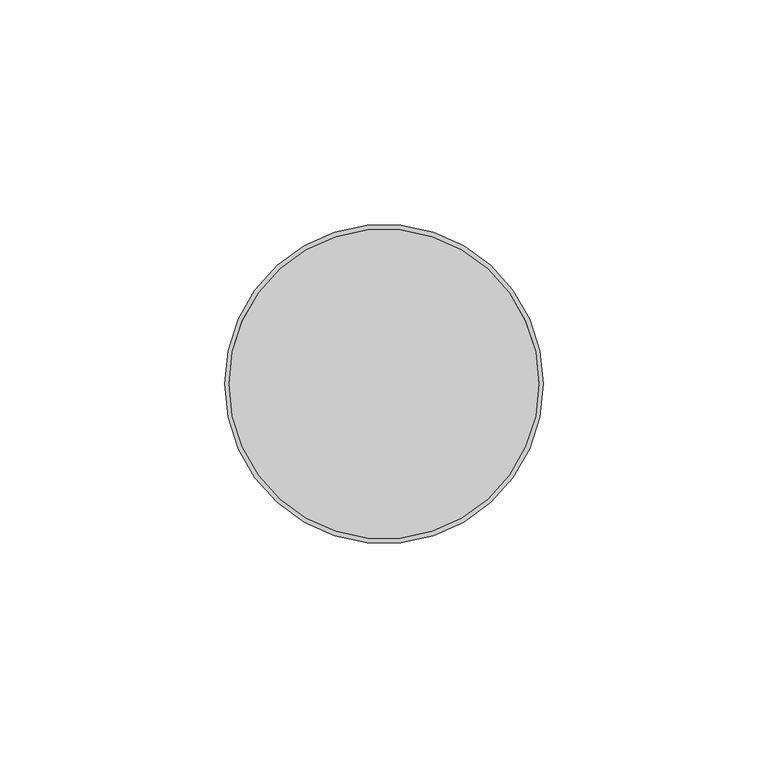
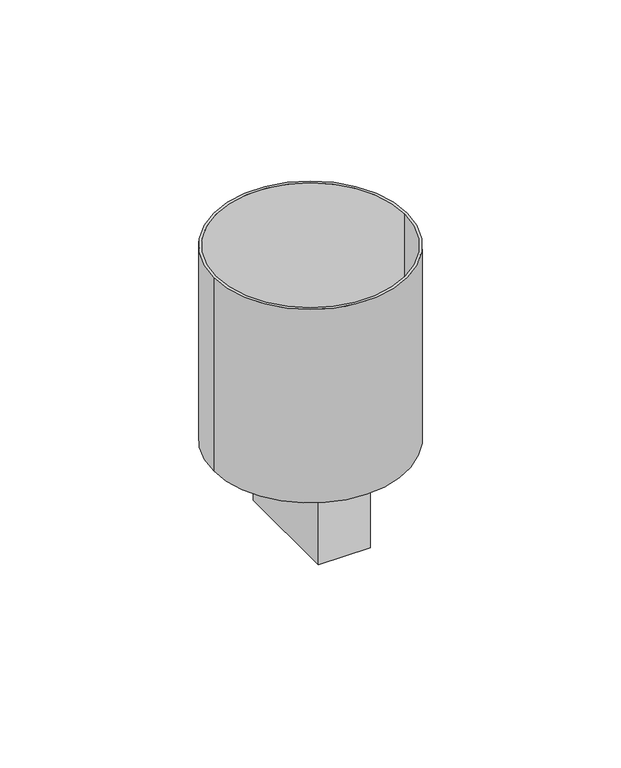
"""IFC4 building model written with IfcOpenShell, lengths in millimetres: proxy geometry."""

from ifc_helpers import new_model, si_unit, point, frame, origin, origin_2d, place, context, project, spatial, polyline, circle_curve, trimmed, segment, composite_curve, outline, extrude, source, transform, mapped, element, save


def electrical_fixtures_0ed6fdf6(model_context):
    return source(origin(), model_context, "Body", "SweptSolid", [
        extrude(outline(polyline([(9.5, -21.3679385), (-9.5, -21.3679385), (-9.5, 19.7701789), (9.5, 19.7701789), (9.5, -21.3679385)])), frame((0.0, 0.0, -107.5), z_axis=(0.0, 0.0, 1.0), x_axis=(1.0, 0.0, 0.0)), (0.0, 0.0, 1.0), 32.5),
        extrude(outline(composite_curve([segment(trimmed(circle_curve(origin_2d(), 34.5), [point((34.5, 0.0))], [point((-34.5, 0.0))], False, "CARTESIAN"), True, "CONTINUOUS"), segment(trimmed(circle_curve(origin_2d(), 34.5), [point((-34.5, 0.0))], [point((34.5, 0.0))], False, "CARTESIAN"), True, "CONTINUOUS")], self_intersect=False)), frame((0.0, 0.0, -75.0), z_axis=(0.0, 0.0, 1.0), x_axis=(1.0, 0.0, 0.0)), (0.0, 0.0, 1.0), 1.0),
        extrude(outline(composite_curve([segment(trimmed(circle_curve(origin_2d(), 35.5), [point((35.5, 0.0))], [point((-35.5, 0.0))], False, "CARTESIAN"), True, "CONTINUOUS"), segment(trimmed(circle_curve(origin_2d(), 35.5), [point((-35.5, 0.0))], [point((35.5, 0.0))], False, "CARTESIAN"), True, "CONTINUOUS")], self_intersect=False), holes=[composite_curve([segment(trimmed(circle_curve(origin_2d(), 34.5), [point((34.5, 0.0))], [point((-34.5, 0.0))], True, "CARTESIAN"), True, "CONTINUOUS"), segment(trimmed(circle_curve(origin_2d(), 34.5), [point((-34.5, 0.0))], [point((34.5, 0.0))], True, "CARTESIAN"), True, "CONTINUOUS")], self_intersect=False)]), frame((0.0, 0.0, -75.0), z_axis=(0.0, 0.0, 1.0), x_axis=(1.0, 0.0, 0.0)), (0.0, 0.0, 1.0), 75.0),
    ])


if __name__ == "__main__":
    model = new_model("IFC4")
    model_context = context("Model", 3, world=origin())
    ifc_project = project(units=[si_unit("LENGTHUNIT", "METRE", prefix="MILLI")], contexts=[model_context])
    site = spatial("IfcSite", under=ifc_project)
    building = spatial("IfcBuilding", under=site)
    placement = place(None, origin())
    electrical_fixtures_shape = electrical_fixtures_0ed6fdf6(model_context)
    element("IfcBuildingElementProxy", 1, Name="Electrical Fixtures", at=placement, inside=building, context=model_context, shape_type="MappedRepresentation", body=[
        mapped(electrical_fixtures_shape, transform((0.0, 0.0, 0.0), x_axis=(1.0, 0.0, 0.0), y_axis=(0.0, 1.0, 0.0), z_axis=(0.0, 0.0, 1.0))),
    ])
    save(model, "model.ifc")
